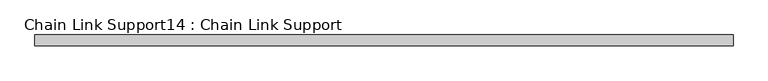
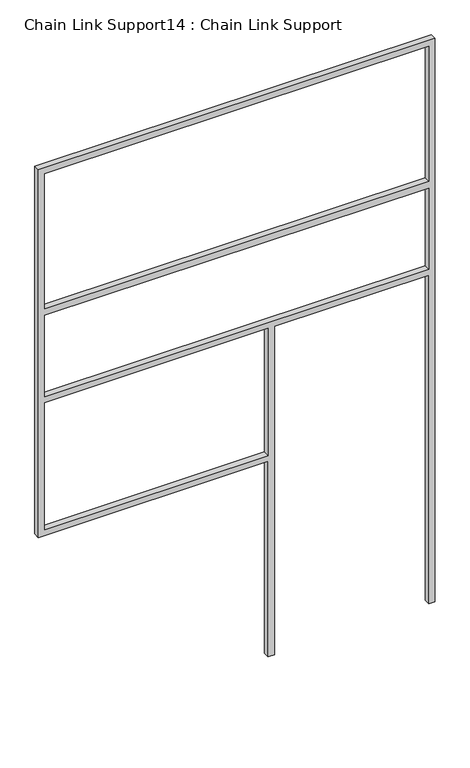
"""IFC4 building model written with IfcOpenShell, lengths in millimetres: proxy geometry, Chain Link Support14 : Chain Link Support."""

from ifc_helpers import new_model, si_unit, frame, origin, place, context, project, spatial, polyline, outline, extrude, source, transform, mapped, element, save


def chain_link_support14_chain_link_support_40deb8aa(model_context):
    return source(origin(), model_context, "Body", "SweptSolid", [
        extrude(outline(polyline([(3657.6, -24803.4743371), (3657.6, -27241.8743371), (1270.0, -27241.8743371), (1270.0, -25828.9993371), (0.0, -25828.9993371), (0.0, -25790.8993371), (2133.6, -25790.8993371), (2133.6, -24841.5743371), (0.0, -24841.5743371), (0.0, -24803.4743371), (3657.6, -24803.4743371)]), holes=[polyline([(2171.7, -24841.5743371), (2171.7, -27203.7743371), (2698.75, -27203.7743371), (2698.75, -24841.5743371), (2171.7, -24841.5743371)]), polyline([(1308.1, -27203.7743371), (2133.6, -27203.7743371), (2133.6, -25828.9993371), (1308.1, -25828.9993371), (1308.1, -27203.7743371)]), polyline([(2743.2, -24841.5743371), (2743.2, -27203.7743371), (3619.5, -27203.7743371), (3619.5, -24841.5743371), (2743.2, -24841.5743371)])]), frame((0.0, -3998.1978765, 0.0), z_axis=(0.0, 1.0, 0.0), x_axis=(0.0, 0.0, 1.0)), (0.0, 0.0, 1.0), 38.1),
    ])


if __name__ == "__main__":
    model = new_model("IFC4")
    model_context = context("Model", 3, world=origin())
    ifc_project = project(units=[si_unit("LENGTHUNIT", "METRE", prefix="MILLI")], contexts=[model_context])
    site = spatial("IfcSite", under=ifc_project)
    building = spatial("IfcBuilding", under=site)
    placement = place(None, origin())
    chain_link_support14_chain_link_support_shape = chain_link_support14_chain_link_support_40deb8aa(model_context)
    element("IfcBuildingElementProxy", 1, Name="Chain Link Support14 : Chain Link Support", ObjectType="Chain Link Support14 : Chain Link Support", at=placement, inside=building, context=model_context, shape_type="MappedRepresentation", body=[
        mapped(chain_link_support14_chain_link_support_shape, transform((0.0, 0.0, 0.0), x_axis=(1.0, 0.0, 0.0), y_axis=(0.0, 1.0, 0.0), z_axis=(0.0, 0.0, 1.0))),
    ])
    save(model, "model.ifc")
